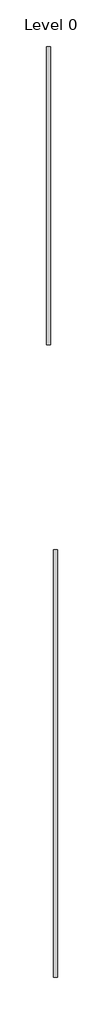
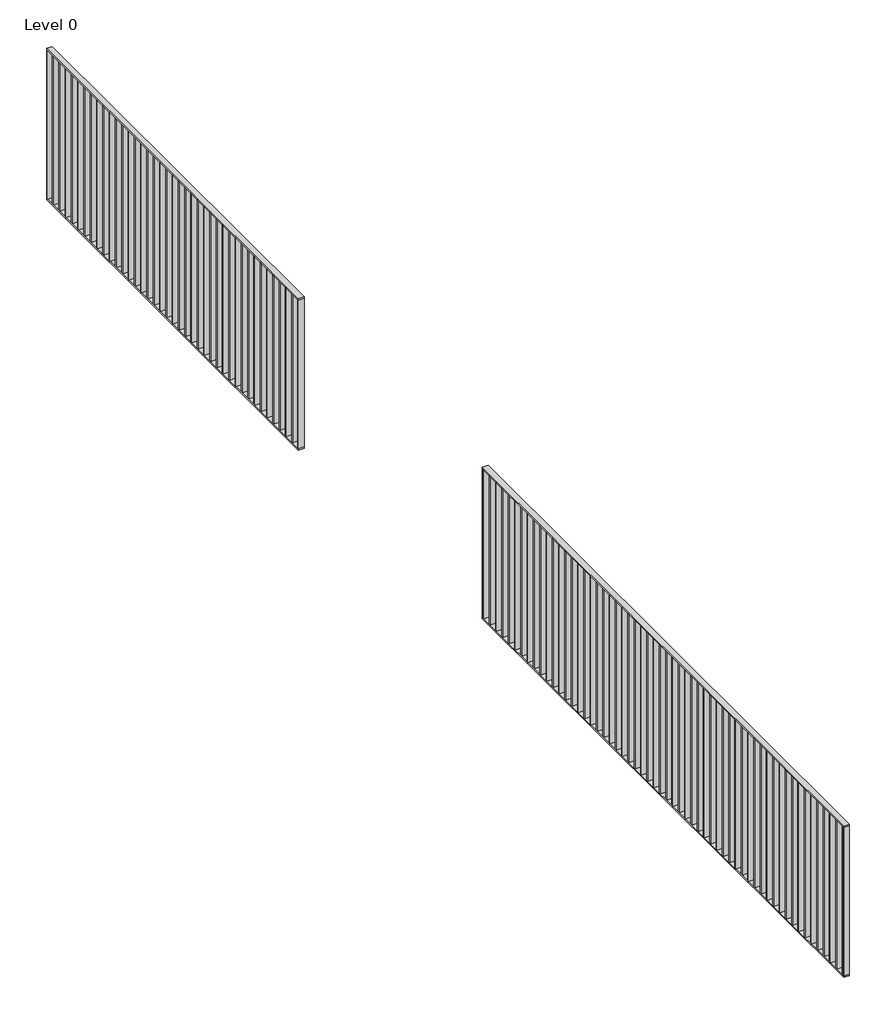
# One storey, part 3 of 3: 2 railings.
"""IFC4 building model written with IfcOpenShell, lengths in millimetres."""

from ifc_helpers import new_model, si_unit, frame, origin, origin_with_axes, place, context, project, spatial, polyline, outline, extrude, element, save

model = new_model("IFC4")

# Units and contexts
model_context = context("Model", 3, world=origin())
ifc_project = project(units=[si_unit("LENGTHUNIT", "METRE", prefix="MILLI")], contexts=[model_context])

# Site, building, storey
site = spatial("IfcSite", under=ifc_project)
building = spatial("IfcBuilding", under=site)
storey = spatial("IfcBuildingStorey", under=building, Name="Level 0", Elevation=0.0)

# Railings
placement = place(None, origin())
element("IfcRailing", 1, at=placement, inside=storey, context=model_context, shape_type="SweptSolid", body=[
    extrude(outline(polyline([(10000.2869203, 11516.8804879), (10040.2869203, 11516.8804879), (10040.2869203, 8516.8804879), (10000.2869203, 8516.8804879), (10000.2869203, 11516.8804879)])), frame((0.0, 0.0, 1090.0), z_axis=(0.0, 0.0, 1.0), x_axis=(1.0, 0.0, 0.0)), (0.0, 0.0, 1.0), 10.0),
    extrude(outline(polyline([(10000.2869203, 11516.8804879), (10040.2869203, 11516.8804879), (10040.2869203, 8516.8804879), (10000.2869203, 8516.8804879), (10000.2869203, 11516.8804879)])), origin_with_axes(), (0.0, 0.0, 1.0), 10.0),
    extrude(outline(polyline([(10040.2869203, 8596.8804879), (10040.2869203, 8586.8804879), (10000.2869203, 8586.8804879), (10000.2869203, 8596.8804879), (10040.2869203, 8596.8804879)])), frame((0.0, 0.0, 10.0), z_axis=(0.0, 0.0, 1.0), x_axis=(1.0, 0.0, 0.0)), (0.0, 0.0, 1.0), 1080.0),
    extrude(outline(polyline([(10040.2869203, 8671.8804879), (10040.2869203, 8661.8804879), (10000.2869203, 8661.8804879), (10000.2869203, 8671.8804879), (10040.2869203, 8671.8804879)])), frame((0.0, 0.0, 10.0), z_axis=(0.0, 0.0, 1.0), x_axis=(1.0, 0.0, 0.0)), (0.0, 0.0, 1.0), 1080.0),
    extrude(outline(polyline([(10040.2869203, 8746.8804879), (10040.2869203, 8736.8804879), (10000.2869203, 8736.8804879), (10000.2869203, 8746.8804879), (10040.2869203, 8746.8804879)])), frame((0.0, 0.0, 10.0), z_axis=(0.0, 0.0, 1.0), x_axis=(1.0, 0.0, 0.0)), (0.0, 0.0, 1.0), 1080.0),
    extrude(outline(polyline([(10040.2869203, 8821.8804879), (10040.2869203, 8811.8804879), (10000.2869203, 8811.8804879), (10000.2869203, 8821.8804879), (10040.2869203, 8821.8804879)])), frame((0.0, 0.0, 10.0), z_axis=(0.0, 0.0, 1.0), x_axis=(1.0, 0.0, 0.0)), (0.0, 0.0, 1.0), 1080.0),
    extrude(outline(polyline([(10040.2869203, 8896.8804879), (10040.2869203, 8886.8804879), (10000.2869203, 8886.8804879), (10000.2869203, 8896.8804879), (10040.2869203, 8896.8804879)])), frame((0.0, 0.0, 10.0), z_axis=(0.0, 0.0, 1.0), x_axis=(1.0, 0.0, 0.0)), (0.0, 0.0, 1.0), 1080.0),
    extrude(outline(polyline([(10040.2869203, 8971.8804879), (10040.2869203, 8961.8804879), (10000.2869203, 8961.8804879), (10000.2869203, 8971.8804879), (10040.2869203, 8971.8804879)])), frame((0.0, 0.0, 10.0), z_axis=(0.0, 0.0, 1.0), x_axis=(1.0, 0.0, 0.0)), (0.0, 0.0, 1.0), 1080.0),
    extrude(outline(polyline([(10040.2869203, 9046.8804879), (10040.2869203, 9036.8804879), (10000.2869203, 9036.8804879), (10000.2869203, 9046.8804879), (10040.2869203, 9046.8804879)])), frame((0.0, 0.0, 10.0), z_axis=(0.0, 0.0, 1.0), x_axis=(1.0, 0.0, 0.0)), (0.0, 0.0, 1.0), 1080.0),
    extrude(outline(polyline([(10040.2869203, 9121.8804879), (10040.2869203, 9111.8804879), (10000.2869203, 9111.8804879), (10000.2869203, 9121.8804879), (10040.2869203, 9121.8804879)])), frame((0.0, 0.0, 10.0), z_axis=(0.0, 0.0, 1.0), x_axis=(1.0, 0.0, 0.0)), (0.0, 0.0, 1.0), 1080.0),
    extrude(outline(polyline([(10040.2869203, 9196.8804879), (10040.2869203, 9186.8804879), (10000.2869203, 9186.8804879), (10000.2869203, 9196.8804879), (10040.2869203, 9196.8804879)])), frame((0.0, 0.0, 10.0), z_axis=(0.0, 0.0, 1.0), x_axis=(1.0, 0.0, 0.0)), (0.0, 0.0, 1.0), 1080.0),
    extrude(outline(polyline([(10040.2869203, 9271.8804879), (10040.2869203, 9261.8804879), (10000.2869203, 9261.8804879), (10000.2869203, 9271.8804879), (10040.2869203, 9271.8804879)])), frame((0.0, 0.0, 10.0), z_axis=(0.0, 0.0, 1.0), x_axis=(1.0, 0.0, 0.0)), (0.0, 0.0, 1.0), 1080.0),
    extrude(outline(polyline([(10040.2869203, 9346.8804879), (10040.2869203, 9336.8804879), (10000.2869203, 9336.8804879), (10000.2869203, 9346.8804879), (10040.2869203, 9346.8804879)])), frame((0.0, 0.0, 10.0), z_axis=(0.0, 0.0, 1.0), x_axis=(1.0, 0.0, 0.0)), (0.0, 0.0, 1.0), 1080.0),
    extrude(outline(polyline([(10040.2869203, 9421.8804879), (10040.2869203, 9411.8804879), (10000.2869203, 9411.8804879), (10000.2869203, 9421.8804879), (10040.2869203, 9421.8804879)])), frame((0.0, 0.0, 10.0), z_axis=(0.0, 0.0, 1.0), x_axis=(1.0, 0.0, 0.0)), (0.0, 0.0, 1.0), 1080.0),
    extrude(outline(polyline([(10040.2869203, 9496.8804879), (10040.2869203, 9486.8804879), (10000.2869203, 9486.8804879), (10000.2869203, 9496.8804879), (10040.2869203, 9496.8804879)])), frame((0.0, 0.0, 10.0), z_axis=(0.0, 0.0, 1.0), x_axis=(1.0, 0.0, 0.0)), (0.0, 0.0, 1.0), 1080.0),
    extrude(outline(polyline([(10040.2869203, 9571.8804879), (10040.2869203, 9561.8804879), (10000.2869203, 9561.8804879), (10000.2869203, 9571.8804879), (10040.2869203, 9571.8804879)])), frame((0.0, 0.0, 10.0), z_axis=(0.0, 0.0, 1.0), x_axis=(1.0, 0.0, 0.0)), (0.0, 0.0, 1.0), 1080.0),
    extrude(outline(polyline([(10040.2869203, 9646.8804879), (10040.2869203, 9636.8804879), (10000.2869203, 9636.8804879), (10000.2869203, 9646.8804879), (10040.2869203, 9646.8804879)])), frame((0.0, 0.0, 10.0), z_axis=(0.0, 0.0, 1.0), x_axis=(1.0, 0.0, 0.0)), (0.0, 0.0, 1.0), 1080.0),
    extrude(outline(polyline([(10040.2869203, 9721.8804879), (10040.2869203, 9711.8804879), (10000.2869203, 9711.8804879), (10000.2869203, 9721.8804879), (10040.2869203, 9721.8804879)])), frame((0.0, 0.0, 10.0), z_axis=(0.0, 0.0, 1.0), x_axis=(1.0, 0.0, 0.0)), (0.0, 0.0, 1.0), 1080.0),
    extrude(outline(polyline([(10040.2869203, 9796.8804879), (10040.2869203, 9786.8804879), (10000.2869203, 9786.8804879), (10000.2869203, 9796.8804879), (10040.2869203, 9796.8804879)])), frame((0.0, 0.0, 10.0), z_axis=(0.0, 0.0, 1.0), x_axis=(1.0, 0.0, 0.0)), (0.0, 0.0, 1.0), 1080.0),
    extrude(outline(polyline([(10040.2869203, 9871.8804879), (10040.2869203, 9861.8804879), (10000.2869203, 9861.8804879), (10000.2869203, 9871.8804879), (10040.2869203, 9871.8804879)])), frame((0.0, 0.0, 10.0), z_axis=(0.0, 0.0, 1.0), x_axis=(1.0, 0.0, 0.0)), (0.0, 0.0, 1.0), 1080.0),
    extrude(outline(polyline([(10040.2869203, 9946.8804879), (10040.2869203, 9936.8804879), (10000.2869203, 9936.8804879), (10000.2869203, 9946.8804879), (10040.2869203, 9946.8804879)])), frame((0.0, 0.0, 10.0), z_axis=(0.0, 0.0, 1.0), x_axis=(1.0, 0.0, 0.0)), (0.0, 0.0, 1.0), 1080.0),
    extrude(outline(polyline([(10040.2869203, 10021.8804879), (10040.2869203, 10011.8804879), (10000.2869203, 10011.8804879), (10000.2869203, 10021.8804879), (10040.2869203, 10021.8804879)])), frame((0.0, 0.0, 10.0), z_axis=(0.0, 0.0, 1.0), x_axis=(1.0, 0.0, 0.0)), (0.0, 0.0, 1.0), 1080.0),
    extrude(outline(polyline([(10040.2869203, 10096.8804879), (10040.2869203, 10086.8804879), (10000.2869203, 10086.8804879), (10000.2869203, 10096.8804879), (10040.2869203, 10096.8804879)])), frame((0.0, 0.0, 10.0), z_axis=(0.0, 0.0, 1.0), x_axis=(1.0, 0.0, 0.0)), (0.0, 0.0, 1.0), 1080.0),
    extrude(outline(polyline([(10040.2869203, 10171.8804879), (10040.2869203, 10161.8804879), (10000.2869203, 10161.8804879), (10000.2869203, 10171.8804879), (10040.2869203, 10171.8804879)])), frame((0.0, 0.0, 10.0), z_axis=(0.0, 0.0, 1.0), x_axis=(1.0, 0.0, 0.0)), (0.0, 0.0, 1.0), 1080.0),
    extrude(outline(polyline([(10040.2869203, 10246.8804879), (10040.2869203, 10236.8804879), (10000.2869203, 10236.8804879), (10000.2869203, 10246.8804879), (10040.2869203, 10246.8804879)])), frame((0.0, 0.0, 10.0), z_axis=(0.0, 0.0, 1.0), x_axis=(1.0, 0.0, 0.0)), (0.0, 0.0, 1.0), 1080.0),
    extrude(outline(polyline([(10040.2869203, 10321.8804879), (10040.2869203, 10311.8804879), (10000.2869203, 10311.8804879), (10000.2869203, 10321.8804879), (10040.2869203, 10321.8804879)])), frame((0.0, 0.0, 10.0), z_axis=(0.0, 0.0, 1.0), x_axis=(1.0, 0.0, 0.0)), (0.0, 0.0, 1.0), 1080.0),
    extrude(outline(polyline([(10040.2869203, 10396.8804879), (10040.2869203, 10386.8804879), (10000.2869203, 10386.8804879), (10000.2869203, 10396.8804879), (10040.2869203, 10396.8804879)])), frame((0.0, 0.0, 10.0), z_axis=(0.0, 0.0, 1.0), x_axis=(1.0, 0.0, 0.0)), (0.0, 0.0, 1.0), 1080.0),
    extrude(outline(polyline([(10040.2869203, 10471.8804879), (10040.2869203, 10461.8804879), (10000.2869203, 10461.8804879), (10000.2869203, 10471.8804879), (10040.2869203, 10471.8804879)])), frame((0.0, 0.0, 10.0), z_axis=(0.0, 0.0, 1.0), x_axis=(1.0, 0.0, 0.0)), (0.0, 0.0, 1.0), 1080.0),
    extrude(outline(polyline([(10040.2869203, 10546.8804879), (10040.2869203, 10536.8804879), (10000.2869203, 10536.8804879), (10000.2869203, 10546.8804879), (10040.2869203, 10546.8804879)])), frame((0.0, 0.0, 10.0), z_axis=(0.0, 0.0, 1.0), x_axis=(1.0, 0.0, 0.0)), (0.0, 0.0, 1.0), 1080.0),
    extrude(outline(polyline([(10040.2869203, 10621.8804879), (10040.2869203, 10611.8804879), (10000.2869203, 10611.8804879), (10000.2869203, 10621.8804879), (10040.2869203, 10621.8804879)])), frame((0.0, 0.0, 10.0), z_axis=(0.0, 0.0, 1.0), x_axis=(1.0, 0.0, 0.0)), (0.0, 0.0, 1.0), 1080.0),
    extrude(outline(polyline([(10040.2869203, 10696.8804879), (10040.2869203, 10686.8804879), (10000.2869203, 10686.8804879), (10000.2869203, 10696.8804879), (10040.2869203, 10696.8804879)])), frame((0.0, 0.0, 10.0), z_axis=(0.0, 0.0, 1.0), x_axis=(1.0, 0.0, 0.0)), (0.0, 0.0, 1.0), 1080.0),
    extrude(outline(polyline([(10040.2869203, 10771.8804879), (10040.2869203, 10761.8804879), (10000.2869203, 10761.8804879), (10000.2869203, 10771.8804879), (10040.2869203, 10771.8804879)])), frame((0.0, 0.0, 10.0), z_axis=(0.0, 0.0, 1.0), x_axis=(1.0, 0.0, 0.0)), (0.0, 0.0, 1.0), 1080.0),
    extrude(outline(polyline([(10040.2869203, 10846.8804879), (10040.2869203, 10836.8804879), (10000.2869203, 10836.8804879), (10000.2869203, 10846.8804879), (10040.2869203, 10846.8804879)])), frame((0.0, 0.0, 10.0), z_axis=(0.0, 0.0, 1.0), x_axis=(1.0, 0.0, 0.0)), (0.0, 0.0, 1.0), 1080.0),
    extrude(outline(polyline([(10040.2869203, 10921.8804879), (10040.2869203, 10911.8804879), (10000.2869203, 10911.8804879), (10000.2869203, 10921.8804879), (10040.2869203, 10921.8804879)])), frame((0.0, 0.0, 10.0), z_axis=(0.0, 0.0, 1.0), x_axis=(1.0, 0.0, 0.0)), (0.0, 0.0, 1.0), 1080.0),
    extrude(outline(polyline([(10040.2869203, 10996.8804879), (10040.2869203, 10986.8804879), (10000.2869203, 10986.8804879), (10000.2869203, 10996.8804879), (10040.2869203, 10996.8804879)])), frame((0.0, 0.0, 10.0), z_axis=(0.0, 0.0, 1.0), x_axis=(1.0, 0.0, 0.0)), (0.0, 0.0, 1.0), 1080.0),
    extrude(outline(polyline([(10040.2869203, 11071.8804879), (10040.2869203, 11061.8804879), (10000.2869203, 11061.8804879), (10000.2869203, 11071.8804879), (10040.2869203, 11071.8804879)])), frame((0.0, 0.0, 10.0), z_axis=(0.0, 0.0, 1.0), x_axis=(1.0, 0.0, 0.0)), (0.0, 0.0, 1.0), 1080.0),
    extrude(outline(polyline([(10040.2869203, 11146.8804879), (10040.2869203, 11136.8804879), (10000.2869203, 11136.8804879), (10000.2869203, 11146.8804879), (10040.2869203, 11146.8804879)])), frame((0.0, 0.0, 10.0), z_axis=(0.0, 0.0, 1.0), x_axis=(1.0, 0.0, 0.0)), (0.0, 0.0, 1.0), 1080.0),
    extrude(outline(polyline([(10040.2869203, 11221.8804879), (10040.2869203, 11211.8804879), (10000.2869203, 11211.8804879), (10000.2869203, 11221.8804879), (10040.2869203, 11221.8804879)])), frame((0.0, 0.0, 10.0), z_axis=(0.0, 0.0, 1.0), x_axis=(1.0, 0.0, 0.0)), (0.0, 0.0, 1.0), 1080.0),
    extrude(outline(polyline([(10040.2869203, 11296.8804879), (10040.2869203, 11286.8804879), (10000.2869203, 11286.8804879), (10000.2869203, 11296.8804879), (10040.2869203, 11296.8804879)])), frame((0.0, 0.0, 10.0), z_axis=(0.0, 0.0, 1.0), x_axis=(1.0, 0.0, 0.0)), (0.0, 0.0, 1.0), 1080.0),
    extrude(outline(polyline([(10040.2869203, 11371.8804879), (10040.2869203, 11361.8804879), (10000.2869203, 11361.8804879), (10000.2869203, 11371.8804879), (10040.2869203, 11371.8804879)])), frame((0.0, 0.0, 10.0), z_axis=(0.0, 0.0, 1.0), x_axis=(1.0, 0.0, 0.0)), (0.0, 0.0, 1.0), 1080.0),
    extrude(outline(polyline([(10040.2869203, 11446.8804879), (10040.2869203, 11436.8804879), (10000.2869203, 11436.8804879), (10000.2869203, 11446.8804879), (10040.2869203, 11446.8804879)])), frame((0.0, 0.0, 10.0), z_axis=(0.0, 0.0, 1.0), x_axis=(1.0, 0.0, 0.0)), (0.0, 0.0, 1.0), 1080.0),
    extrude(outline(polyline([(10040.2869203, 8526.8804879), (10040.2869203, 8516.8804879), (10000.2869203, 8516.8804879), (10000.2869203, 8526.8804879), (10040.2869203, 8526.8804879)])), frame((0.0, 0.0, 10.0), z_axis=(0.0, 0.0, 1.0), x_axis=(1.0, 0.0, 0.0)), (0.0, 0.0, 1.0), 1080.0),
    extrude(outline(polyline([(10040.2869203, 11516.8804879), (10040.2869203, 11506.8804879), (10000.2869203, 11506.8804879), (10000.2869203, 11516.8804879), (10040.2869203, 11516.8804879)])), frame((0.0, 0.0, 10.0), z_axis=(0.0, 0.0, 1.0), x_axis=(1.0, 0.0, 0.0)), (0.0, 0.0, 1.0), 1080.0),
])
element("IfcRailing", 2, at=placement, inside=storey, context=model_context, shape_type="SweptSolid", body=[
    extrude(outline(polyline([(10073.6607921, 6454.0833303), (10113.6607921, 6454.0833303), (10113.6607921, 2154.0833303), (10073.6607921, 2154.0833303), (10073.6607921, 6454.0833303)])), frame((0.0, 0.0, 1090.0), z_axis=(0.0, 0.0, 1.0), x_axis=(1.0, 0.0, 0.0)), (0.0, 0.0, 1.0), 10.0),
    extrude(outline(polyline([(10073.6607921, 6454.0833303), (10113.6607921, 6454.0833303), (10113.6607921, 2154.0833303), (10073.6607921, 2154.0833303), (10073.6607921, 6454.0833303)])), origin_with_axes(), (0.0, 0.0, 1.0), 10.0),
    extrude(outline(polyline([(10113.6607921, 2171.5833303), (10113.6607921, 2161.5833303), (10073.6607921, 2161.5833303), (10073.6607921, 2171.5833303), (10113.6607921, 2171.5833303)])), frame((0.0, 0.0, 10.0), z_axis=(0.0, 0.0, 1.0), x_axis=(1.0, 0.0, 0.0)), (0.0, 0.0, 1.0), 1080.0),
    extrude(outline(polyline([(10113.6607921, 2246.5833303), (10113.6607921, 2236.5833303), (10073.6607921, 2236.5833303), (10073.6607921, 2246.5833303), (10113.6607921, 2246.5833303)])), frame((0.0, 0.0, 10.0), z_axis=(0.0, 0.0, 1.0), x_axis=(1.0, 0.0, 0.0)), (0.0, 0.0, 1.0), 1080.0),
    extrude(outline(polyline([(10113.6607921, 2321.5833303), (10113.6607921, 2311.5833303), (10073.6607921, 2311.5833303), (10073.6607921, 2321.5833303), (10113.6607921, 2321.5833303)])), frame((0.0, 0.0, 10.0), z_axis=(0.0, 0.0, 1.0), x_axis=(1.0, 0.0, 0.0)), (0.0, 0.0, 1.0), 1080.0),
    extrude(outline(polyline([(10113.6607921, 2396.5833303), (10113.6607921, 2386.5833303), (10073.6607921, 2386.5833303), (10073.6607921, 2396.5833303), (10113.6607921, 2396.5833303)])), frame((0.0, 0.0, 10.0), z_axis=(0.0, 0.0, 1.0), x_axis=(1.0, 0.0, 0.0)), (0.0, 0.0, 1.0), 1080.0),
    extrude(outline(polyline([(10113.6607921, 2471.5833303), (10113.6607921, 2461.5833303), (10073.6607921, 2461.5833303), (10073.6607921, 2471.5833303), (10113.6607921, 2471.5833303)])), frame((0.0, 0.0, 10.0), z_axis=(0.0, 0.0, 1.0), x_axis=(1.0, 0.0, 0.0)), (0.0, 0.0, 1.0), 1080.0),
    extrude(outline(polyline([(10113.6607921, 2546.5833303), (10113.6607921, 2536.5833303), (10073.6607921, 2536.5833303), (10073.6607921, 2546.5833303), (10113.6607921, 2546.5833303)])), frame((0.0, 0.0, 10.0), z_axis=(0.0, 0.0, 1.0), x_axis=(1.0, 0.0, 0.0)), (0.0, 0.0, 1.0), 1080.0),
    extrude(outline(polyline([(10113.6607921, 2621.5833303), (10113.6607921, 2611.5833303), (10073.6607921, 2611.5833303), (10073.6607921, 2621.5833303), (10113.6607921, 2621.5833303)])), frame((0.0, 0.0, 10.0), z_axis=(0.0, 0.0, 1.0), x_axis=(1.0, 0.0, 0.0)), (0.0, 0.0, 1.0), 1080.0),
    extrude(outline(polyline([(10113.6607921, 2696.5833303), (10113.6607921, 2686.5833303), (10073.6607921, 2686.5833303), (10073.6607921, 2696.5833303), (10113.6607921, 2696.5833303)])), frame((0.0, 0.0, 10.0), z_axis=(0.0, 0.0, 1.0), x_axis=(1.0, 0.0, 0.0)), (0.0, 0.0, 1.0), 1080.0),
    extrude(outline(polyline([(10113.6607921, 2771.5833303), (10113.6607921, 2761.5833303), (10073.6607921, 2761.5833303), (10073.6607921, 2771.5833303), (10113.6607921, 2771.5833303)])), frame((0.0, 0.0, 10.0), z_axis=(0.0, 0.0, 1.0), x_axis=(1.0, 0.0, 0.0)), (0.0, 0.0, 1.0), 1080.0),
    extrude(outline(polyline([(10113.6607921, 2846.5833303), (10113.6607921, 2836.5833303), (10073.6607921, 2836.5833303), (10073.6607921, 2846.5833303), (10113.6607921, 2846.5833303)])), frame((0.0, 0.0, 10.0), z_axis=(0.0, 0.0, 1.0), x_axis=(1.0, 0.0, 0.0)), (0.0, 0.0, 1.0), 1080.0),
    extrude(outline(polyline([(10113.6607921, 2921.5833303), (10113.6607921, 2911.5833303), (10073.6607921, 2911.5833303), (10073.6607921, 2921.5833303), (10113.6607921, 2921.5833303)])), frame((0.0, 0.0, 10.0), z_axis=(0.0, 0.0, 1.0), x_axis=(1.0, 0.0, 0.0)), (0.0, 0.0, 1.0), 1080.0),
    extrude(outline(polyline([(10113.6607921, 2996.5833303), (10113.6607921, 2986.5833303), (10073.6607921, 2986.5833303), (10073.6607921, 2996.5833303), (10113.6607921, 2996.5833303)])), frame((0.0, 0.0, 10.0), z_axis=(0.0, 0.0, 1.0), x_axis=(1.0, 0.0, 0.0)), (0.0, 0.0, 1.0), 1080.0),
    extrude(outline(polyline([(10113.6607921, 3071.5833303), (10113.6607921, 3061.5833303), (10073.6607921, 3061.5833303), (10073.6607921, 3071.5833303), (10113.6607921, 3071.5833303)])), frame((0.0, 0.0, 10.0), z_axis=(0.0, 0.0, 1.0), x_axis=(1.0, 0.0, 0.0)), (0.0, 0.0, 1.0), 1080.0),
    extrude(outline(polyline([(10113.6607921, 3146.5833303), (10113.6607921, 3136.5833303), (10073.6607921, 3136.5833303), (10073.6607921, 3146.5833303), (10113.6607921, 3146.5833303)])), frame((0.0, 0.0, 10.0), z_axis=(0.0, 0.0, 1.0), x_axis=(1.0, 0.0, 0.0)), (0.0, 0.0, 1.0), 1080.0),
    extrude(outline(polyline([(10113.6607921, 3221.5833303), (10113.6607921, 3211.5833303), (10073.6607921, 3211.5833303), (10073.6607921, 3221.5833303), (10113.6607921, 3221.5833303)])), frame((0.0, 0.0, 10.0), z_axis=(0.0, 0.0, 1.0), x_axis=(1.0, 0.0, 0.0)), (0.0, 0.0, 1.0), 1080.0),
    extrude(outline(polyline([(10113.6607921, 3296.5833303), (10113.6607921, 3286.5833303), (10073.6607921, 3286.5833303), (10073.6607921, 3296.5833303), (10113.6607921, 3296.5833303)])), frame((0.0, 0.0, 10.0), z_axis=(0.0, 0.0, 1.0), x_axis=(1.0, 0.0, 0.0)), (0.0, 0.0, 1.0), 1080.0),
    extrude(outline(polyline([(10113.6607921, 3371.5833303), (10113.6607921, 3361.5833303), (10073.6607921, 3361.5833303), (10073.6607921, 3371.5833303), (10113.6607921, 3371.5833303)])), frame((0.0, 0.0, 10.0), z_axis=(0.0, 0.0, 1.0), x_axis=(1.0, 0.0, 0.0)), (0.0, 0.0, 1.0), 1080.0),
    extrude(outline(polyline([(10113.6607921, 3446.5833303), (10113.6607921, 3436.5833303), (10073.6607921, 3436.5833303), (10073.6607921, 3446.5833303), (10113.6607921, 3446.5833303)])), frame((0.0, 0.0, 10.0), z_axis=(0.0, 0.0, 1.0), x_axis=(1.0, 0.0, 0.0)), (0.0, 0.0, 1.0), 1080.0),
    extrude(outline(polyline([(10113.6607921, 3521.5833303), (10113.6607921, 3511.5833303), (10073.6607921, 3511.5833303), (10073.6607921, 3521.5833303), (10113.6607921, 3521.5833303)])), frame((0.0, 0.0, 10.0), z_axis=(0.0, 0.0, 1.0), x_axis=(1.0, 0.0, 0.0)), (0.0, 0.0, 1.0), 1080.0),
    extrude(outline(polyline([(10113.6607921, 3596.5833303), (10113.6607921, 3586.5833303), (10073.6607921, 3586.5833303), (10073.6607921, 3596.5833303), (10113.6607921, 3596.5833303)])), frame((0.0, 0.0, 10.0), z_axis=(0.0, 0.0, 1.0), x_axis=(1.0, 0.0, 0.0)), (0.0, 0.0, 1.0), 1080.0),
    extrude(outline(polyline([(10113.6607921, 3671.5833303), (10113.6607921, 3661.5833303), (10073.6607921, 3661.5833303), (10073.6607921, 3671.5833303), (10113.6607921, 3671.5833303)])), frame((0.0, 0.0, 10.0), z_axis=(0.0, 0.0, 1.0), x_axis=(1.0, 0.0, 0.0)), (0.0, 0.0, 1.0), 1080.0),
    extrude(outline(polyline([(10113.6607921, 3746.5833303), (10113.6607921, 3736.5833303), (10073.6607921, 3736.5833303), (10073.6607921, 3746.5833303), (10113.6607921, 3746.5833303)])), frame((0.0, 0.0, 10.0), z_axis=(0.0, 0.0, 1.0), x_axis=(1.0, 0.0, 0.0)), (0.0, 0.0, 1.0), 1080.0),
    extrude(outline(polyline([(10113.6607921, 3821.5833303), (10113.6607921, 3811.5833303), (10073.6607921, 3811.5833303), (10073.6607921, 3821.5833303), (10113.6607921, 3821.5833303)])), frame((0.0, 0.0, 10.0), z_axis=(0.0, 0.0, 1.0), x_axis=(1.0, 0.0, 0.0)), (0.0, 0.0, 1.0), 1080.0),
    extrude(outline(polyline([(10113.6607921, 3896.5833303), (10113.6607921, 3886.5833303), (10073.6607921, 3886.5833303), (10073.6607921, 3896.5833303), (10113.6607921, 3896.5833303)])), frame((0.0, 0.0, 10.0), z_axis=(0.0, 0.0, 1.0), x_axis=(1.0, 0.0, 0.0)), (0.0, 0.0, 1.0), 1080.0),
    extrude(outline(polyline([(10113.6607921, 3971.5833303), (10113.6607921, 3961.5833303), (10073.6607921, 3961.5833303), (10073.6607921, 3971.5833303), (10113.6607921, 3971.5833303)])), frame((0.0, 0.0, 10.0), z_axis=(0.0, 0.0, 1.0), x_axis=(1.0, 0.0, 0.0)), (0.0, 0.0, 1.0), 1080.0),
    extrude(outline(polyline([(10113.6607921, 4046.5833303), (10113.6607921, 4036.5833303), (10073.6607921, 4036.5833303), (10073.6607921, 4046.5833303), (10113.6607921, 4046.5833303)])), frame((0.0, 0.0, 10.0), z_axis=(0.0, 0.0, 1.0), x_axis=(1.0, 0.0, 0.0)), (0.0, 0.0, 1.0), 1080.0),
    extrude(outline(polyline([(10113.6607921, 4121.5833303), (10113.6607921, 4111.5833303), (10073.6607921, 4111.5833303), (10073.6607921, 4121.5833303), (10113.6607921, 4121.5833303)])), frame((0.0, 0.0, 10.0), z_axis=(0.0, 0.0, 1.0), x_axis=(1.0, 0.0, 0.0)), (0.0, 0.0, 1.0), 1080.0),
    extrude(outline(polyline([(10113.6607921, 4196.5833303), (10113.6607921, 4186.5833303), (10073.6607921, 4186.5833303), (10073.6607921, 4196.5833303), (10113.6607921, 4196.5833303)])), frame((0.0, 0.0, 10.0), z_axis=(0.0, 0.0, 1.0), x_axis=(1.0, 0.0, 0.0)), (0.0, 0.0, 1.0), 1080.0),
    extrude(outline(polyline([(10113.6607921, 4271.5833303), (10113.6607921, 4261.5833303), (10073.6607921, 4261.5833303), (10073.6607921, 4271.5833303), (10113.6607921, 4271.5833303)])), frame((0.0, 0.0, 10.0), z_axis=(0.0, 0.0, 1.0), x_axis=(1.0, 0.0, 0.0)), (0.0, 0.0, 1.0), 1080.0),
    extrude(outline(polyline([(10113.6607921, 4346.5833303), (10113.6607921, 4336.5833303), (10073.6607921, 4336.5833303), (10073.6607921, 4346.5833303), (10113.6607921, 4346.5833303)])), frame((0.0, 0.0, 10.0), z_axis=(0.0, 0.0, 1.0), x_axis=(1.0, 0.0, 0.0)), (0.0, 0.0, 1.0), 1080.0),
    extrude(outline(polyline([(10113.6607921, 4421.5833303), (10113.6607921, 4411.5833303), (10073.6607921, 4411.5833303), (10073.6607921, 4421.5833303), (10113.6607921, 4421.5833303)])), frame((0.0, 0.0, 10.0), z_axis=(0.0, 0.0, 1.0), x_axis=(1.0, 0.0, 0.0)), (0.0, 0.0, 1.0), 1080.0),
    extrude(outline(polyline([(10113.6607921, 4496.5833303), (10113.6607921, 4486.5833303), (10073.6607921, 4486.5833303), (10073.6607921, 4496.5833303), (10113.6607921, 4496.5833303)])), frame((0.0, 0.0, 10.0), z_axis=(0.0, 0.0, 1.0), x_axis=(1.0, 0.0, 0.0)), (0.0, 0.0, 1.0), 1080.0),
    extrude(outline(polyline([(10113.6607921, 4571.5833303), (10113.6607921, 4561.5833303), (10073.6607921, 4561.5833303), (10073.6607921, 4571.5833303), (10113.6607921, 4571.5833303)])), frame((0.0, 0.0, 10.0), z_axis=(0.0, 0.0, 1.0), x_axis=(1.0, 0.0, 0.0)), (0.0, 0.0, 1.0), 1080.0),
    extrude(outline(polyline([(10113.6607921, 4646.5833303), (10113.6607921, 4636.5833303), (10073.6607921, 4636.5833303), (10073.6607921, 4646.5833303), (10113.6607921, 4646.5833303)])), frame((0.0, 0.0, 10.0), z_axis=(0.0, 0.0, 1.0), x_axis=(1.0, 0.0, 0.0)), (0.0, 0.0, 1.0), 1080.0),
    extrude(outline(polyline([(10113.6607921, 4721.5833303), (10113.6607921, 4711.5833303), (10073.6607921, 4711.5833303), (10073.6607921, 4721.5833303), (10113.6607921, 4721.5833303)])), frame((0.0, 0.0, 10.0), z_axis=(0.0, 0.0, 1.0), x_axis=(1.0, 0.0, 0.0)), (0.0, 0.0, 1.0), 1080.0),
    extrude(outline(polyline([(10113.6607921, 4796.5833303), (10113.6607921, 4786.5833303), (10073.6607921, 4786.5833303), (10073.6607921, 4796.5833303), (10113.6607921, 4796.5833303)])), frame((0.0, 0.0, 10.0), z_axis=(0.0, 0.0, 1.0), x_axis=(1.0, 0.0, 0.0)), (0.0, 0.0, 1.0), 1080.0),
    extrude(outline(polyline([(10113.6607921, 4871.5833303), (10113.6607921, 4861.5833303), (10073.6607921, 4861.5833303), (10073.6607921, 4871.5833303), (10113.6607921, 4871.5833303)])), frame((0.0, 0.0, 10.0), z_axis=(0.0, 0.0, 1.0), x_axis=(1.0, 0.0, 0.0)), (0.0, 0.0, 1.0), 1080.0),
    extrude(outline(polyline([(10113.6607921, 4946.5833303), (10113.6607921, 4936.5833303), (10073.6607921, 4936.5833303), (10073.6607921, 4946.5833303), (10113.6607921, 4946.5833303)])), frame((0.0, 0.0, 10.0), z_axis=(0.0, 0.0, 1.0), x_axis=(1.0, 0.0, 0.0)), (0.0, 0.0, 1.0), 1080.0),
    extrude(outline(polyline([(10113.6607921, 5021.5833303), (10113.6607921, 5011.5833303), (10073.6607921, 5011.5833303), (10073.6607921, 5021.5833303), (10113.6607921, 5021.5833303)])), frame((0.0, 0.0, 10.0), z_axis=(0.0, 0.0, 1.0), x_axis=(1.0, 0.0, 0.0)), (0.0, 0.0, 1.0), 1080.0),
    extrude(outline(polyline([(10113.6607921, 5096.5833303), (10113.6607921, 5086.5833303), (10073.6607921, 5086.5833303), (10073.6607921, 5096.5833303), (10113.6607921, 5096.5833303)])), frame((0.0, 0.0, 10.0), z_axis=(0.0, 0.0, 1.0), x_axis=(1.0, 0.0, 0.0)), (0.0, 0.0, 1.0), 1080.0),
    extrude(outline(polyline([(10113.6607921, 5171.5833303), (10113.6607921, 5161.5833303), (10073.6607921, 5161.5833303), (10073.6607921, 5171.5833303), (10113.6607921, 5171.5833303)])), frame((0.0, 0.0, 10.0), z_axis=(0.0, 0.0, 1.0), x_axis=(1.0, 0.0, 0.0)), (0.0, 0.0, 1.0), 1080.0),
    extrude(outline(polyline([(10113.6607921, 5246.5833303), (10113.6607921, 5236.5833303), (10073.6607921, 5236.5833303), (10073.6607921, 5246.5833303), (10113.6607921, 5246.5833303)])), frame((0.0, 0.0, 10.0), z_axis=(0.0, 0.0, 1.0), x_axis=(1.0, 0.0, 0.0)), (0.0, 0.0, 1.0), 1080.0),
    extrude(outline(polyline([(10113.6607921, 5321.5833303), (10113.6607921, 5311.5833303), (10073.6607921, 5311.5833303), (10073.6607921, 5321.5833303), (10113.6607921, 5321.5833303)])), frame((0.0, 0.0, 10.0), z_axis=(0.0, 0.0, 1.0), x_axis=(1.0, 0.0, 0.0)), (0.0, 0.0, 1.0), 1080.0),
    extrude(outline(polyline([(10113.6607921, 5396.5833303), (10113.6607921, 5386.5833303), (10073.6607921, 5386.5833303), (10073.6607921, 5396.5833303), (10113.6607921, 5396.5833303)])), frame((0.0, 0.0, 10.0), z_axis=(0.0, 0.0, 1.0), x_axis=(1.0, 0.0, 0.0)), (0.0, 0.0, 1.0), 1080.0),
    extrude(outline(polyline([(10113.6607921, 5471.5833303), (10113.6607921, 5461.5833303), (10073.6607921, 5461.5833303), (10073.6607921, 5471.5833303), (10113.6607921, 5471.5833303)])), frame((0.0, 0.0, 10.0), z_axis=(0.0, 0.0, 1.0), x_axis=(1.0, 0.0, 0.0)), (0.0, 0.0, 1.0), 1080.0),
    extrude(outline(polyline([(10113.6607921, 5546.5833303), (10113.6607921, 5536.5833303), (10073.6607921, 5536.5833303), (10073.6607921, 5546.5833303), (10113.6607921, 5546.5833303)])), frame((0.0, 0.0, 10.0), z_axis=(0.0, 0.0, 1.0), x_axis=(1.0, 0.0, 0.0)), (0.0, 0.0, 1.0), 1080.0),
    extrude(outline(polyline([(10113.6607921, 5621.5833303), (10113.6607921, 5611.5833303), (10073.6607921, 5611.5833303), (10073.6607921, 5621.5833303), (10113.6607921, 5621.5833303)])), frame((0.0, 0.0, 10.0), z_axis=(0.0, 0.0, 1.0), x_axis=(1.0, 0.0, 0.0)), (0.0, 0.0, 1.0), 1080.0),
    extrude(outline(polyline([(10113.6607921, 5696.5833303), (10113.6607921, 5686.5833303), (10073.6607921, 5686.5833303), (10073.6607921, 5696.5833303), (10113.6607921, 5696.5833303)])), frame((0.0, 0.0, 10.0), z_axis=(0.0, 0.0, 1.0), x_axis=(1.0, 0.0, 0.0)), (0.0, 0.0, 1.0), 1080.0),
    extrude(outline(polyline([(10113.6607921, 5771.5833303), (10113.6607921, 5761.5833303), (10073.6607921, 5761.5833303), (10073.6607921, 5771.5833303), (10113.6607921, 5771.5833303)])), frame((0.0, 0.0, 10.0), z_axis=(0.0, 0.0, 1.0), x_axis=(1.0, 0.0, 0.0)), (0.0, 0.0, 1.0), 1080.0),
    extrude(outline(polyline([(10113.6607921, 5846.5833303), (10113.6607921, 5836.5833303), (10073.6607921, 5836.5833303), (10073.6607921, 5846.5833303), (10113.6607921, 5846.5833303)])), frame((0.0, 0.0, 10.0), z_axis=(0.0, 0.0, 1.0), x_axis=(1.0, 0.0, 0.0)), (0.0, 0.0, 1.0), 1080.0),
    extrude(outline(polyline([(10113.6607921, 5921.5833303), (10113.6607921, 5911.5833303), (10073.6607921, 5911.5833303), (10073.6607921, 5921.5833303), (10113.6607921, 5921.5833303)])), frame((0.0, 0.0, 10.0), z_axis=(0.0, 0.0, 1.0), x_axis=(1.0, 0.0, 0.0)), (0.0, 0.0, 1.0), 1080.0),
    extrude(outline(polyline([(10113.6607921, 5996.5833303), (10113.6607921, 5986.5833303), (10073.6607921, 5986.5833303), (10073.6607921, 5996.5833303), (10113.6607921, 5996.5833303)])), frame((0.0, 0.0, 10.0), z_axis=(0.0, 0.0, 1.0), x_axis=(1.0, 0.0, 0.0)), (0.0, 0.0, 1.0), 1080.0),
    extrude(outline(polyline([(10113.6607921, 6071.5833303), (10113.6607921, 6061.5833303), (10073.6607921, 6061.5833303), (10073.6607921, 6071.5833303), (10113.6607921, 6071.5833303)])), frame((0.0, 0.0, 10.0), z_axis=(0.0, 0.0, 1.0), x_axis=(1.0, 0.0, 0.0)), (0.0, 0.0, 1.0), 1080.0),
    extrude(outline(polyline([(10113.6607921, 6146.5833303), (10113.6607921, 6136.5833303), (10073.6607921, 6136.5833303), (10073.6607921, 6146.5833303), (10113.6607921, 6146.5833303)])), frame((0.0, 0.0, 10.0), z_axis=(0.0, 0.0, 1.0), x_axis=(1.0, 0.0, 0.0)), (0.0, 0.0, 1.0), 1080.0),
    extrude(outline(polyline([(10113.6607921, 6221.5833303), (10113.6607921, 6211.5833303), (10073.6607921, 6211.5833303), (10073.6607921, 6221.5833303), (10113.6607921, 6221.5833303)])), frame((0.0, 0.0, 10.0), z_axis=(0.0, 0.0, 1.0), x_axis=(1.0, 0.0, 0.0)), (0.0, 0.0, 1.0), 1080.0),
    extrude(outline(polyline([(10113.6607921, 6296.5833303), (10113.6607921, 6286.5833303), (10073.6607921, 6286.5833303), (10073.6607921, 6296.5833303), (10113.6607921, 6296.5833303)])), frame((0.0, 0.0, 10.0), z_axis=(0.0, 0.0, 1.0), x_axis=(1.0, 0.0, 0.0)), (0.0, 0.0, 1.0), 1080.0),
    extrude(outline(polyline([(10113.6607921, 6371.5833303), (10113.6607921, 6361.5833303), (10073.6607921, 6361.5833303), (10073.6607921, 6371.5833303), (10113.6607921, 6371.5833303)])), frame((0.0, 0.0, 10.0), z_axis=(0.0, 0.0, 1.0), x_axis=(1.0, 0.0, 0.0)), (0.0, 0.0, 1.0), 1080.0),
    extrude(outline(polyline([(10113.6607921, 6446.5833303), (10113.6607921, 6436.5833303), (10073.6607921, 6436.5833303), (10073.6607921, 6446.5833303), (10113.6607921, 6446.5833303)])), frame((0.0, 0.0, 10.0), z_axis=(0.0, 0.0, 1.0), x_axis=(1.0, 0.0, 0.0)), (0.0, 0.0, 1.0), 1080.0),
    extrude(outline(polyline([(10113.6607921, 2164.0833303), (10113.6607921, 2154.0833303), (10073.6607921, 2154.0833303), (10073.6607921, 2164.0833303), (10113.6607921, 2164.0833303)])), frame((0.0, 0.0, 10.0), z_axis=(0.0, 0.0, 1.0), x_axis=(1.0, 0.0, 0.0)), (0.0, 0.0, 1.0), 1080.0),
    extrude(outline(polyline([(10113.6607921, 6454.0833303), (10113.6607921, 6444.0833303), (10073.6607921, 6444.0833303), (10073.6607921, 6454.0833303), (10113.6607921, 6454.0833303)])), frame((0.0, 0.0, 10.0), z_axis=(0.0, 0.0, 1.0), x_axis=(1.0, 0.0, 0.0)), (0.0, 0.0, 1.0), 1080.0),
])

save(model, "model.ifc")
